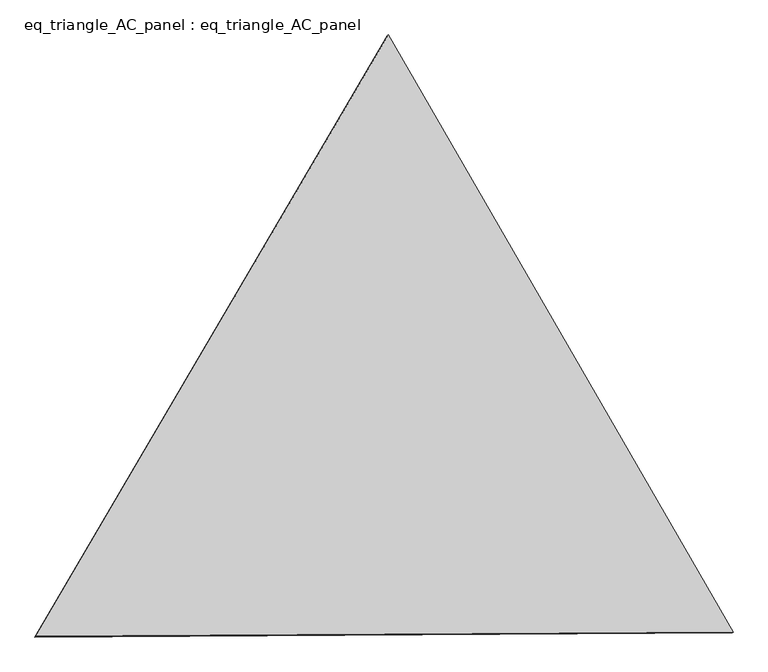
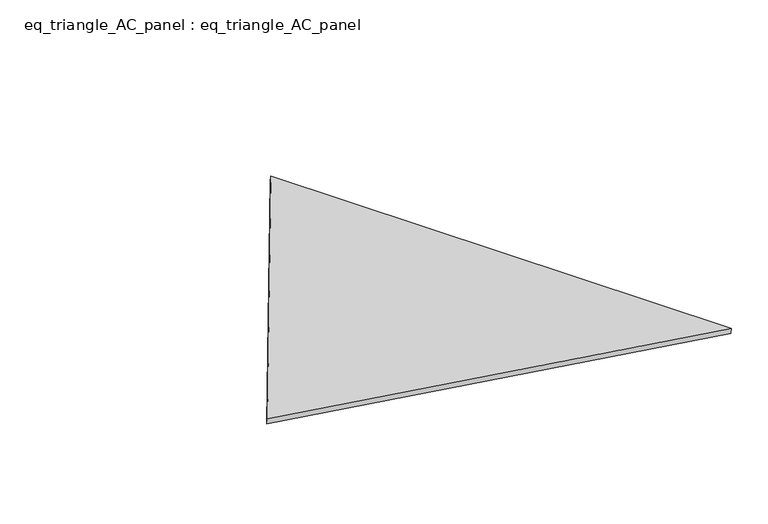
"""IFC4 building model written with IfcOpenShell, lengths in millimetres: proxy geometry, eq_triangle_AC_panel : eq_triangle_AC_panel."""

from ifc_helpers import new_model, si_unit, frame, origin, place, context, project, spatial, polyline, outline, extrude, source, transform, mapped, element, save


def eq_triangle_ac_panel_eq_triangle_ac_panel_53fe33fe(model_context):
    return source(origin(), model_context, "Body", "SweptSolid", [
        extrude(outline(polyline([(-2017.7410617, 1198.9367817), (2017.7410616, 1198.9367817), (-1e-07, -2397.8735635), (-2017.7410617, 1198.9367817)])), frame((0.0038051, 527.9290861, 89.8240019), z_axis=(0.14526328518059456, 0.0838657028179995, 0.9858321976225896), x_axis=(0.5000027697419461, -0.8660238046639946, -2.3836681874556123e-06)), (0.0, 0.0, 1.0), 43.8306294),
    ])


if __name__ == "__main__":
    model = new_model("IFC4")
    model_context = context("Model", 3, world=origin())
    ifc_project = project(units=[si_unit("LENGTHUNIT", "METRE", prefix="MILLI")], contexts=[model_context])
    site = spatial("IfcSite", under=ifc_project)
    building = spatial("IfcBuilding", under=site)
    placement = place(None, origin())
    eq_triangle_ac_panel_eq_triangle_ac_panel_shape = eq_triangle_ac_panel_eq_triangle_ac_panel_53fe33fe(model_context)
    element("IfcBuildingElementProxy", 1, Name="eq_triangle_AC_panel : eq_triangle_AC_panel", ObjectType="eq_triangle_AC_panel : eq_triangle_AC_panel", at=placement, inside=building, context=model_context, shape_type="MappedRepresentation", body=[
        mapped(eq_triangle_ac_panel_eq_triangle_ac_panel_shape, transform((0.0, 0.0, 0.0), x_axis=(1.0, 0.0, 0.0), y_axis=(0.0, 1.0, 0.0), z_axis=(0.0, 0.0, 1.0))),
    ])
    save(model, "model.ifc")
